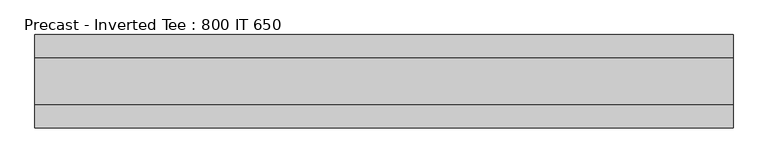
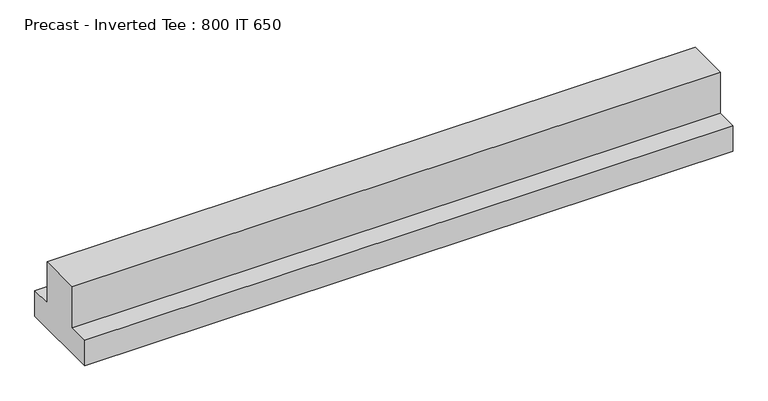
"""IFC4 building model written with IfcOpenShell, lengths in millimetres: beam geometry, Precast - Inverted Tee : 800 IT 650."""

from ifc_helpers import new_model, si_unit, frame, origin, place, context, project, spatial, polyline, outline, extrude, source, transform, mapped, element, save


def precast_inverted_tee_800_it_650_51edf71b(model_context):
    return source(origin(), model_context, "Body", "SweptSolid", [
        extrude(outline(polyline([(400.0, -325.0), (-400.0, -325.0), (-400.0, -75.0), (-200.0, -75.0), (-200.0, 325.0), (200.0, 325.0), (200.0, -75.0), (400.0, -75.0), (400.0, -325.0)])), frame((-3200.0, 0.0, 0.0), z_axis=(1.0, 0.0, 0.0), x_axis=(0.0, 1.0, 0.0)), (0.0, 0.0, 1.0), 5980.0),
    ])


if __name__ == "__main__":
    model = new_model("IFC4")
    model_context = context("Model", 3, world=origin())
    ifc_project = project(units=[si_unit("LENGTHUNIT", "METRE", prefix="MILLI")], contexts=[model_context])
    site = spatial("IfcSite", under=ifc_project)
    building = spatial("IfcBuilding", under=site)
    placement = place(None, origin())
    precast_inverted_tee_800_it_650_shape = precast_inverted_tee_800_it_650_51edf71b(model_context)
    element("IfcBeam", 1, ObjectType="Precast - Inverted Tee : 800 IT 650", at=placement, inside=building, context=model_context, shape_type="MappedRepresentation", body=[
        mapped(precast_inverted_tee_800_it_650_shape, transform((0.0, 0.0, 0.0), x_axis=(1.0, 0.0, 0.0), y_axis=(0.0, 1.0, 0.0), z_axis=(0.0, 0.0, 1.0))),
    ])
    save(model, "model.ifc")
